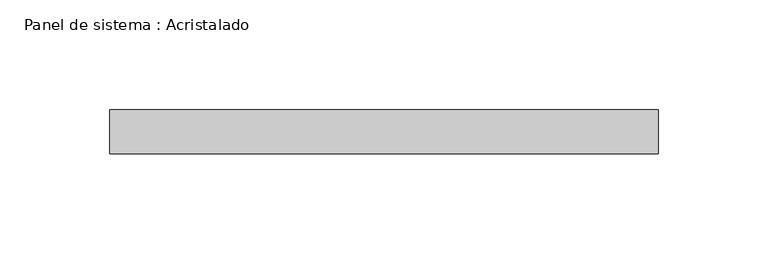
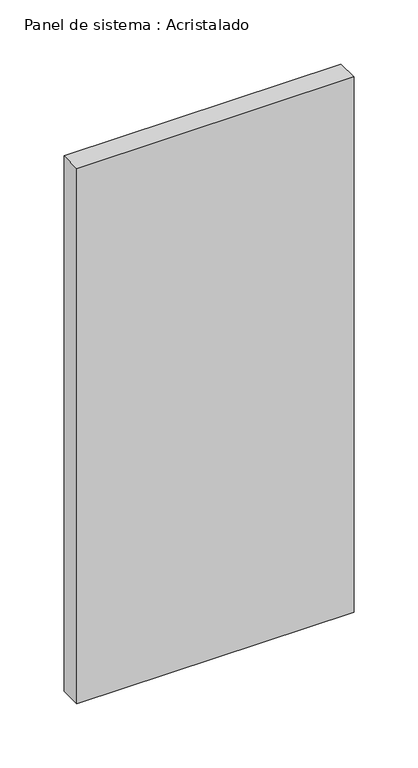
"""IFC4 building model written with IfcOpenShell, lengths in millimetres: plate geometry, Panel de sistema : Acristalado."""

from ifc_helpers import new_model, si_unit, origin, origin_with_axes, place, context, project, spatial, polyline, outline, extrude, source, transform, mapped, element, save


def panel_de_sistema_acristalado_73fe76ae(model_context):
    return source(origin(), model_context, "Body", "SweptSolid", [
        extrude(outline(polyline([(125.0, -10.0), (-125.0, -10.0), (-125.0, 10.0), (125.0, 10.0), (125.0, -10.0)])), origin_with_axes(), (0.0, 0.0, 1.0), 510.0),
    ])


if __name__ == "__main__":
    model = new_model("IFC4")
    model_context = context("Model", 3, world=origin())
    ifc_project = project(units=[si_unit("LENGTHUNIT", "METRE", prefix="MILLI")], contexts=[model_context])
    site = spatial("IfcSite", under=ifc_project)
    building = spatial("IfcBuilding", under=site)
    placement = place(None, origin())
    panel_de_sistema_acristalado_shape = panel_de_sistema_acristalado_73fe76ae(model_context)
    element("IfcPlate", 1, ObjectType="Panel de sistema : Acristalado", at=placement, inside=building, context=model_context, shape_type="MappedRepresentation", body=[
        mapped(panel_de_sistema_acristalado_shape, transform((0.0, 0.0, 0.0), x_axis=(1.0, 0.0, 0.0), y_axis=(0.0, 1.0, 0.0), z_axis=(0.0, 0.0, 1.0))),
    ])
    save(model, "model.ifc")
